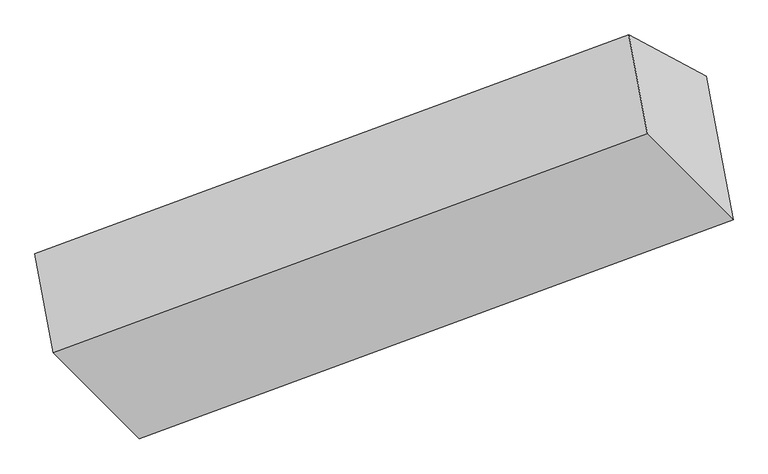
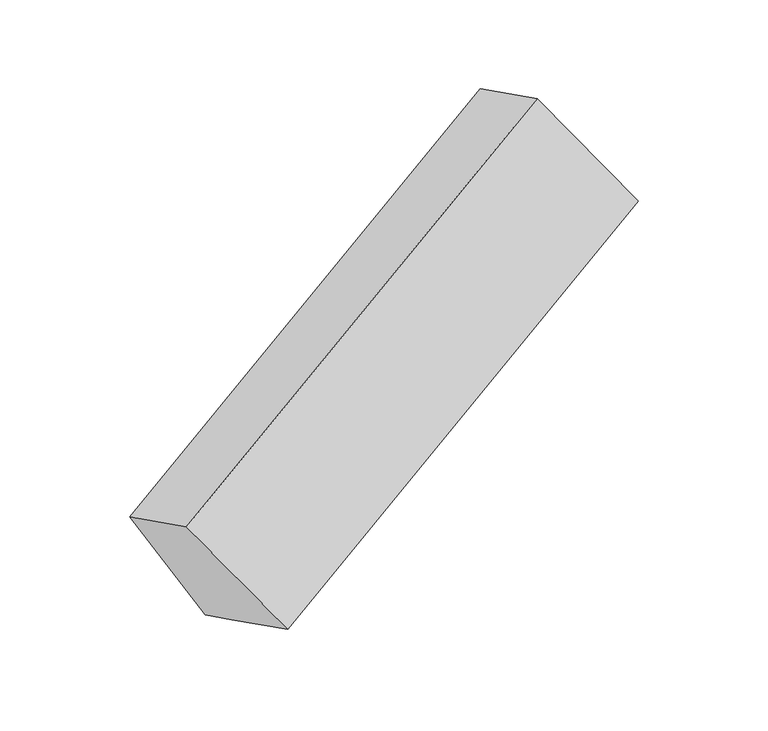
"""IFC4 building model written with IfcOpenShell, lengths in millimetres: proxy geometry."""

from ifc_helpers import new_model, si_unit, origin, place, context, project, spatial, faceted_brep, source, transform, mapped, element, save


def generic_models_1ae85bc5(model_context):
    return source(origin(), model_context, "Body", "Brep", [
        faceted_brep([(-4164.8129407, -1677.4532382, 1559.6224368), (-4092.970496, -2060.7945779, 1711.785345), (-1795.0732544, -1214.2208904, 2732.0974951), (-1866.9156991, -830.8795508, 2579.9345868), (-3865.6823886, -1836.8776742, 1016.7552689), (-1567.785147, -990.3039868, 2037.067419), (-3832.2191837, -2015.4327032, 1087.6306212), (-1534.3219421, -1168.8590158, 2107.9427712), (-3761.5606556, -2392.4568277, 1237.2859839), (-1463.663414, -1545.8831403, 2257.598134)], [[[0, 1, 2, 3]], [[4, 0, 5]], [[6, 4, 5, 7]], [[8, 6, 7, 9]], [[1, 8, 9, 2]], [[7, 5, 3, 2, 9]], [[1, 0, 4, 6, 8]], [[3, 5, 0]]]),
    ])


if __name__ == "__main__":
    model = new_model("IFC4")
    model_context = context("Model", 3, world=origin())
    ifc_project = project(units=[si_unit("LENGTHUNIT", "METRE", prefix="MILLI")], contexts=[model_context])
    site = spatial("IfcSite", under=ifc_project)
    building = spatial("IfcBuilding", under=site)
    placement = place(None, origin())
    generic_models_shape = generic_models_1ae85bc5(model_context)
    element("IfcBuildingElementProxy", 1, Name="Generic Models", at=placement, inside=building, context=model_context, shape_type="MappedRepresentation", body=[
        mapped(generic_models_shape, transform((0.0, 0.0, 0.0), x_axis=(1.0, 0.0, 0.0), y_axis=(0.0, 1.0, 0.0), z_axis=(0.0, 0.0, 1.0))),
    ])
    save(model, "model.ifc")
